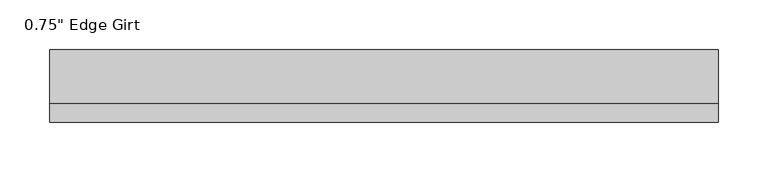
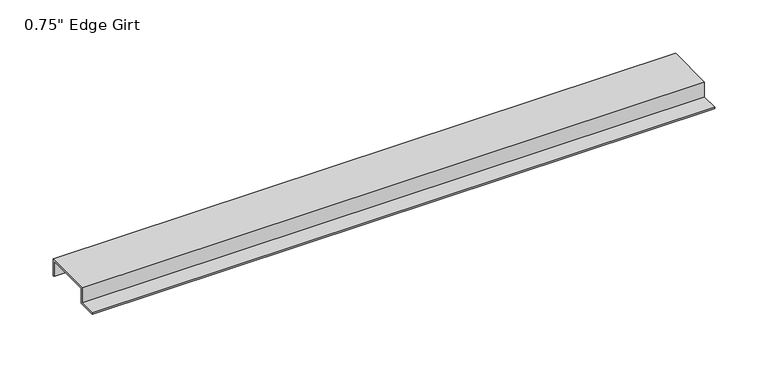
"""IFC4 building model written with IfcOpenShell, lengths in millimetres: proxy geometry."""

from ifc_helpers import new_model, si_unit, frame, origin, place, context, project, spatial, polyline, outline, extrude, source, transform, mapped, element, save


def proxy_3e862945(model_context):
    return source(origin(), model_context, "Body", "SweptSolid", [
        extrude(outline(polyline([(-46.0559645, -17.4375), (-46.0559645, -15.8242), (-27.0129, -15.8242), (-27.0129, 1.6129), (27.0129, 1.6129), (27.0129, -17.4375), (25.4, -17.4375), (25.4, 0.0), (-25.4, 0.0), (-25.4, -17.4375), (-46.0559645, -17.4375)])), frame((0.0, 0.0, 0.0), z_axis=(1.0, 0.0, 0.0), x_axis=(0.0, 1.0, 0.0)), (0.0, 0.0, 1.0), 673.0192064),
    ])


if __name__ == "__main__":
    model = new_model("IFC4")
    model_context = context("Model", 3, world=origin())
    ifc_project = project(units=[si_unit("LENGTHUNIT", "METRE", prefix="MILLI")], contexts=[model_context])
    site = spatial("IfcSite", under=ifc_project)
    building = spatial("IfcBuilding", under=site)
    placement = place(None, origin())
    proxy_shape = proxy_3e862945(model_context)
    element("IfcBuildingElementProxy", 1, Name="0.75\" Edge Girt", ObjectType="0.75\" Edge Girt", at=placement, inside=building, context=model_context, shape_type="MappedRepresentation", body=[
        mapped(proxy_shape, transform((0.0, 0.0, 0.0), x_axis=(1.0, 0.0, 0.0), y_axis=(0.0, 1.0, 0.0), z_axis=(0.0, 0.0, 1.0))),
    ])
    save(model, "model.ifc")
